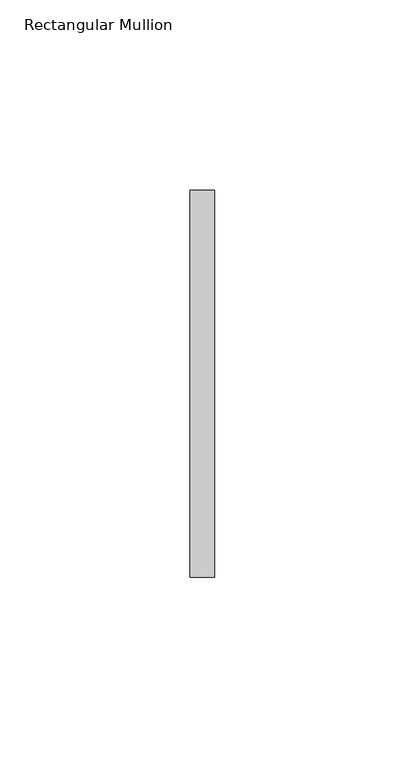
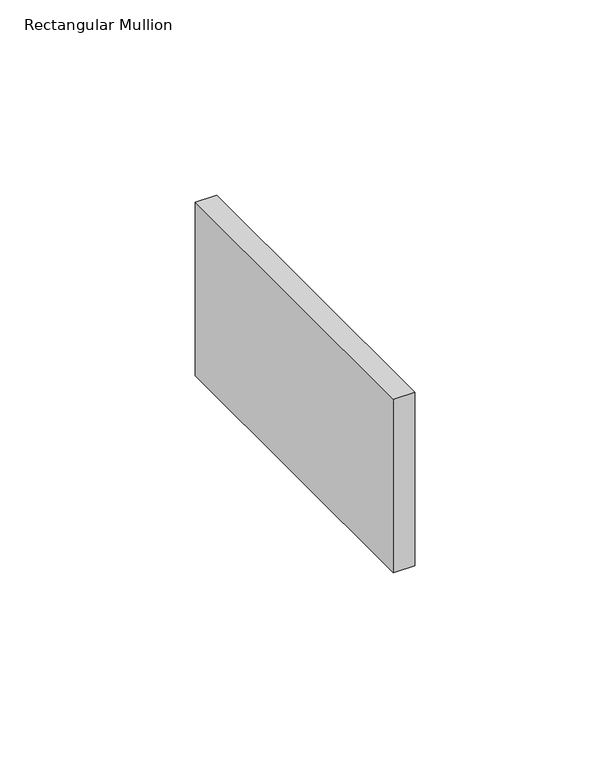
"""IFC4 building model written with IfcOpenShell, lengths in millimetres: member geometry, Rectangular Mullion."""

import ifcopenshell
import ifcopenshell.guid

model = None  # the IFC model being written
_history = None  # IfcOwnerHistory: only IFC2X3 demands one
_inside = {}  # id of a spatial element -> (the spatial element, [elements in it])
_under = {}  # id of a project, library or spatial element -> (it, [spatial elements below it])
_declared = {}  # id of a project -> (the project, [libraries it declares])
_typed = {}  # id of a type object -> (the type object, [elements of that type])
_made_of = {}  # id of a material, layer set ... -> (it, [elements and type objects made of it])


def new_model(schema):
    """Start an empty IFC model of exactly this schema.

    Asked for "IFC4X3", IfcOpenShell would pick the latest addendum, in which some entities
    have other attributes; the version numbers below select the first issue.
    IFC2X3 requires an IfcOwnerHistory on every rooted entity: one is made here for all.
    """
    global model, _history
    if schema == "IFC4X3":
        model = ifcopenshell.file(schema_version=(4, 3, 0, 0))
    else:
        model = ifcopenshell.file(schema=schema)
    _inside.clear()
    _under.clear()
    _declared.clear()
    _typed.clear()
    _made_of.clear()
    _history = None
    if model.schema == "IFC2X3":
        org = make("IfcOrganization", Name="unknown")
        user = make(
            "IfcPersonAndOrganization",
            ThePerson=make("IfcPerson", FamilyName="unknown"),
            TheOrganization=org,
        )
        app = make(
            "IfcApplication",
            ApplicationDeveloper=org,
            Version="unknown",
            ApplicationFullName="unknown",
            ApplicationIdentifier="unknown",
        )
        _history = make(
            "IfcOwnerHistory",
            OwningUser=user,
            OwningApplication=app,
            ChangeAction="ADDED",
            CreationDate=0,
        )
    return model


def make(cls, **values):
    """One entity of the class cls with the attributes given. An attribute that is None is left unset."""
    return model.create_entity(
        cls, **{name: value for name, value in values.items() if value is not None}
    )


def rooted(cls, **values):
    """An entity with a GlobalId (a new one), such as an element, a storey or a relation."""
    return make(cls, GlobalId=ifcopenshell.guid.new(), OwnerHistory=_history, **values)


def si_unit(unit_type, name, prefix=None):
    """IfcSIUnit, for example si_unit("LENGTHUNIT", "METRE", prefix="MILLI")."""
    return make("IfcSIUnit", UnitType=unit_type, Prefix=prefix, Name=name)


def assignment(units):
    """IfcUnitAssignment: the units of a project."""
    return None if units is None else make("IfcUnitAssignment", Units=units)


def point(xyz):
    """IfcCartesianPoint."""
    return None if xyz is None else make("IfcCartesianPoint", Coordinates=xyz)


def direction(xyz):
    """IfcDirection."""
    return None if xyz is None else make("IfcDirection", DirectionRatios=xyz)


def frame(location, z_axis=None, x_axis=None):
    """IfcAxis2Placement3D, a coordinate frame: its origin and axes. An axis left out is left unset."""
    return make(
        "IfcAxis2Placement3D",
        Location=point(location),
        Axis=direction(z_axis),
        RefDirection=direction(x_axis),
    )


def origin():
    """The frame at (0, 0, 0) with its axes left unset."""
    return frame((0.0, 0.0, 0.0))


def place(relative_to, where):
    """IfcLocalPlacement: puts the frame where relative to a parent placement (None: the world)."""
    return make(
        "IfcLocalPlacement", PlacementRelTo=relative_to, RelativePlacement=where
    )


def context(
    kind, dimensions, precision=None, world=None, true_north=None, identifier=None
):
    """IfcGeometricRepresentationContext, for example the 3D "Model" context."""
    return make(
        "IfcGeometricRepresentationContext",
        ContextIdentifier=identifier,
        ContextType=kind,
        CoordinateSpaceDimension=dimensions,
        Precision=precision,
        WorldCoordinateSystem=world,
        TrueNorth=true_north,
    )


def project(units=None, contexts=None):
    """IfcProject with its units and contexts."""
    return rooted(
        "IfcProject",
        Name="project",
        RepresentationContexts=contexts,
        UnitsInContext=assignment(units),
    )


def spatial(cls, under=None, at=None, **own):
    """A site, building, storey or space (cls), placed at a placement, below another one or the project."""
    s = rooted(cls, ObjectPlacement=at, **own)
    if under is not None:
        _under.setdefault(under.id(), (under, []))[1].append(s)
    return s


def polyline(points):
    """IfcPolyline through the points."""
    return make("IfcPolyline", Points=[point(p) for p in points])


def outline(outer, holes=None, kind="AREA"):
    """IfcArbitraryClosedProfileDef: a profile drawn as a closed curve; with holes, ...WithVoids."""
    if holes is None:
        return make("IfcArbitraryClosedProfileDef", ProfileType=kind, OuterCurve=outer)
    return make(
        "IfcArbitraryProfileDefWithVoids",
        ProfileType=kind,
        OuterCurve=outer,
        InnerCurves=holes,
    )


def extrude(swept, where, along, depth):
    """IfcExtrudedAreaSolid: the profile swept, set in the frame where, extruded along a direction by depth."""
    return make(
        "IfcExtrudedAreaSolid",
        SweptArea=swept,
        Position=where,
        ExtrudedDirection=direction(along),
        Depth=depth,
    )


def shape(context_of_items, identifier, shape_type, items):
    """IfcShapeRepresentation: the items that make up one representation, for example the "Body"."""
    return make(
        "IfcShapeRepresentation",
        ContextOfItems=context_of_items,
        RepresentationIdentifier=identifier,
        RepresentationType=shape_type,
        Items=items,
    )


def source(mapping_origin, context_of_items, identifier, shape_type, items):
    """IfcRepresentationMap: a shape defined once, which mapped items show again and again."""
    return make(
        "IfcRepresentationMap",
        MappingOrigin=mapping_origin,
        MappedRepresentation=shape(context_of_items, identifier, shape_type, items),
    )


def transform(
    local_origin,
    x_axis=None,
    y_axis=None,
    z_axis=None,
    scale=None,
    scale2=None,
    scale3=None,
    uniform=True,
):
    """IfcCartesianTransformationOperator3D, or its non-uniform kind. x_axis, y_axis, z_axis: its Axis1, 2, 3."""
    if uniform:
        return make(
            "IfcCartesianTransformationOperator3D",
            Axis1=direction(x_axis),
            Axis2=direction(y_axis),
            LocalOrigin=point(local_origin),
            Scale=scale,
            Axis3=direction(z_axis),
        )
    return make(
        "IfcCartesianTransformationOperator3DnonUniform",
        Axis1=direction(x_axis),
        Axis2=direction(y_axis),
        LocalOrigin=point(local_origin),
        Scale=scale,
        Axis3=direction(z_axis),
        Scale2=scale2,
        Scale3=scale3,
    )


def mapped(mapping_source, mapping_target):
    """IfcMappedItem: shows the shape of a source again, moved by a transform."""
    return make(
        "IfcMappedItem", MappingSource=mapping_source, MappingTarget=mapping_target
    )


def made_of(thing, what):
    """Note that an element or type object is made of a material, layer set ...; save() writes the relation."""
    if what is not None:
        _made_of.setdefault(what.id(), (what, []))[1].append(thing)
    return thing


def element(
    cls,
    number,
    at=None,
    inside=None,
    cuts=None,
    type_object=None,
    material=None,
    context=None,
    identifier="Body",
    shape_type=None,
    held_by="IfcProductDefinitionShape",
    body=None,
    shapes=None,
    **own,
):
    """One element of the class cls, such as IfcWall. Its Tag is "e" and its number.

    at: its placement. inside: the storey or other place that contains it. cuts: it is an
    opening in that element (IfcRelVoidsElement). A single representation is given by context,
    identifier, shape_type and body (its items); several are given by shapes. held_by: the class
    of the entity that holds the representations. save() writes the other relations.
    """
    e = rooted(cls, Tag="e%d" % number, ObjectPlacement=at, **own)
    if body is not None:
        shapes = [shape(context, identifier, shape_type, body)]
    if shapes is not None:
        e.Representation = make(held_by, Representations=shapes)
    if inside is not None:
        _inside.setdefault(inside.id(), (inside, []))[1].append(e)
    if cuts is not None:
        rooted(
            "IfcRelVoidsElement", RelatingBuildingElement=cuts, RelatedOpeningElement=e
        )
    if type_object is not None:
        _typed.setdefault(type_object.id(), (type_object, []))[1].append(e)
    return made_of(e, material)


def aggregate(whole, parts):
    """IfcRelAggregates: a whole, such as a stair, and the parts it consists of."""
    return rooted("IfcRelAggregates", RelatingObject=whole, RelatedObjects=parts)


def save(model, path):
    """Write the relations noted so far, then the file.

    IfcRelAggregates (storeys below a building ...), IfcRelContainedInSpatialStructure (elements
    in a storey), IfcRelDefinesByType, IfcRelAssociatesMaterial and IfcRelDeclares: one each for
    every whole, place, type object, material and project.
    """
    for whole, parts in _under.values():
        aggregate(whole, parts)
    for where, things in _inside.values():
        rooted(
            "IfcRelContainedInSpatialStructure",
            RelatedElements=things,
            RelatingStructure=where,
        )
    for kind, things in _typed.values():
        rooted("IfcRelDefinesByType", RelatedObjects=things, RelatingType=kind)
    for what, things in _made_of.values():
        rooted("IfcRelAssociatesMaterial", RelatedObjects=things, RelatingMaterial=what)
    for by, libraries in _declared.values():
        rooted("IfcRelDeclares", RelatingContext=by, RelatedDefinitions=libraries)
    model.write(path)


def rectangular_mullion_b64b01a3(model_context):
    return source(origin(), model_context, "Body", "SweptSolid", [
        extrude(outline(polyline([(0.0, 50.8), (0.0, -50.8), (-6.35, -50.8), (-6.35, 50.8), (0.0, 50.8)])), frame((0.0, 0.0, -54.3532805), z_axis=(0.0, 0.0, 1.0), x_axis=(1.0, 0.0, 0.0)), (0.0, 0.0, 1.0), 54.3532805),
    ])


if __name__ == "__main__":
    model = new_model("IFC4")
    model_context = context("Model", 3, world=origin())
    ifc_project = project(units=[si_unit("LENGTHUNIT", "METRE", prefix="MILLI")], contexts=[model_context])
    site = spatial("IfcSite", under=ifc_project)
    building = spatial("IfcBuilding", under=site)
    placement = place(None, origin())
    rectangular_mullion_shape = rectangular_mullion_b64b01a3(model_context)
    element("IfcMember", 1, ObjectType="Rectangular Mullion", at=placement, inside=building, context=model_context, shape_type="MappedRepresentation", body=[
        mapped(rectangular_mullion_shape, transform((0.0, 0.0, 0.0), x_axis=(1.0, 0.0, 0.0), y_axis=(0.0, 1.0, 0.0), z_axis=(0.0, 0.0, 1.0))),
    ])
    save(model, "model.ifc")
